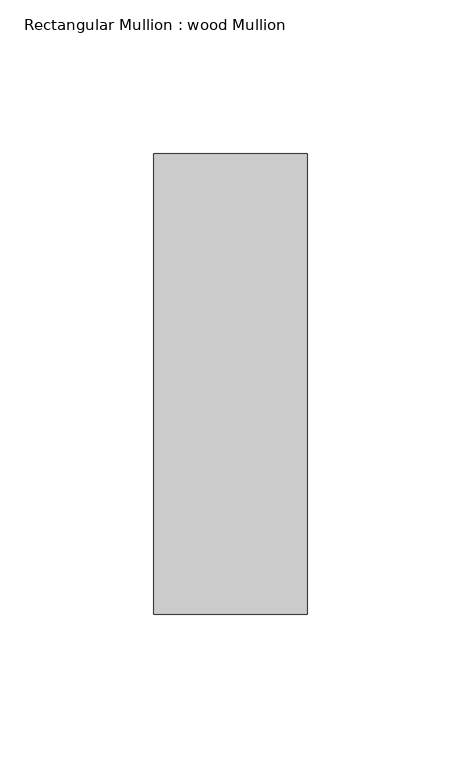
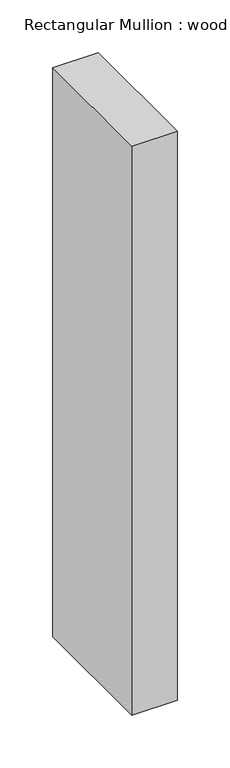
"""IFC4 building model written with IfcOpenShell, lengths in millimetres: member geometry, Rectangular Mullion : wood Mullion."""

from ifc_helpers import new_model, si_unit, frame, origin, place, context, project, spatial, polyline, outline, extrude, source, transform, mapped, element, save


def rectangular_mullion_wood_mullion_e44dd610(model_context):
    return source(origin(), model_context, "Body", "SweptSolid", [
        extrude(outline(polyline([(0.0, 75.0), (0.0, -75.0), (-50.0, -75.0), (-50.0, 75.0), (0.0, 75.0)])), frame((0.0, 0.0, -660.0), z_axis=(0.0, 0.0, 1.0), x_axis=(1.0, 0.0, 0.0)), (0.0, 0.0, 1.0), 660.0),
    ])


if __name__ == "__main__":
    model = new_model("IFC4")
    model_context = context("Model", 3, world=origin())
    ifc_project = project(units=[si_unit("LENGTHUNIT", "METRE", prefix="MILLI")], contexts=[model_context])
    site = spatial("IfcSite", under=ifc_project)
    building = spatial("IfcBuilding", under=site)
    placement = place(None, origin())
    rectangular_mullion_wood_mullion_shape = rectangular_mullion_wood_mullion_e44dd610(model_context)
    element("IfcMember", 1, ObjectType="Rectangular Mullion : wood Mullion", at=placement, inside=building, context=model_context, shape_type="MappedRepresentation", body=[
        mapped(rectangular_mullion_wood_mullion_shape, transform((0.0, 0.0, 0.0), x_axis=(1.0, 0.0, 0.0), y_axis=(0.0, 1.0, 0.0), z_axis=(0.0, 0.0, 1.0))),
    ])
    save(model, "model.ifc")
